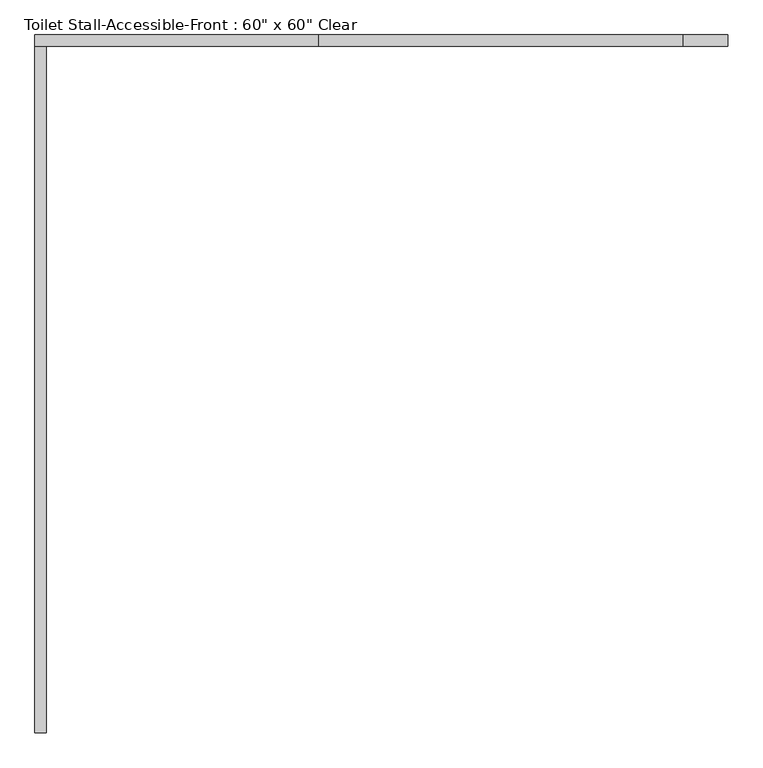
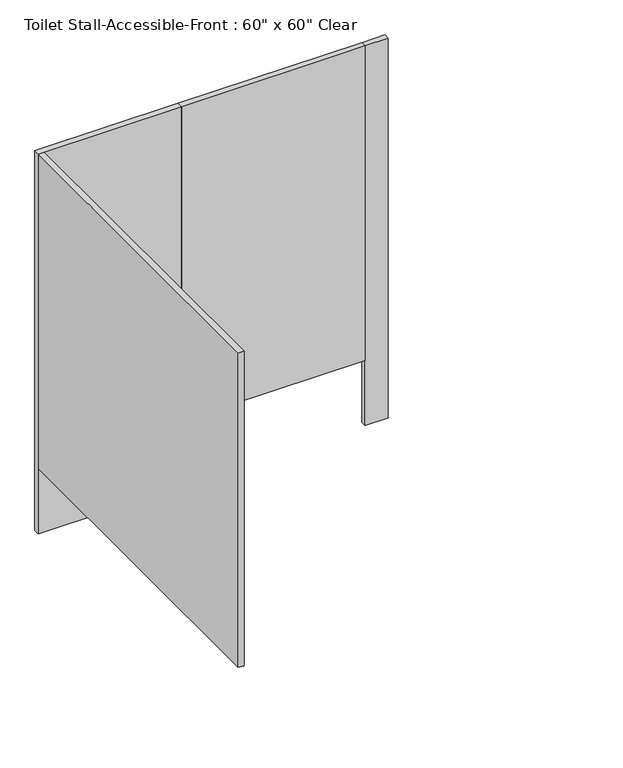
"""IFC4 building model written with IfcOpenShell, lengths in millimetres: proxy geometry."""

from ifc_helpers import new_model, si_unit, frame, origin, origin_with_axes, place, context, project, spatial, polyline, outline, extrude, source, transform, mapped, element, save


def proxy_ff845a05(model_context):
    return source(origin(), model_context, "Body", "SweptSolid", [
        extrude(outline(polyline([(1370.1031538, 1625.6), (1370.1031538, 1600.2), (557.3031538, 1600.2), (557.3031538, 1625.6), (1370.1031538, 1625.6)])), frame((0.0, 0.0, 304.8), z_axis=(0.0, 0.0, 1.0), x_axis=(1.0, 0.0, 0.0)), (0.0, 0.0, 1.0), 1473.2),
        extrude(outline(polyline([(557.3031538, 1625.6), (557.3031538, 1600.2), (-77.6968462, 1600.2), (-77.6968462, 1625.6), (557.3031538, 1625.6)])), origin_with_axes(), (0.0, 0.0, 1.0), 1778.0),
        extrude(outline(polyline([(1471.7031538, 1625.6), (1471.7031538, 1600.2), (1370.1031538, 1600.2), (1370.1031538, 1625.6), (1471.7031538, 1625.6)])), origin_with_axes(), (0.0, 0.0, 1.0), 1778.0),
        extrude(outline(polyline([(-77.6968462, 1600.2), (-52.2968462, 1600.2), (-52.2968462, 65.0875), (-77.6968462, 65.0875), (-77.6968462, 1600.2)])), frame((0.0, 0.0, 304.8), z_axis=(0.0, 0.0, 1.0), x_axis=(1.0, 0.0, 0.0)), (0.0, 0.0, 1.0), 1473.2),
    ])


if __name__ == "__main__":
    model = new_model("IFC4")
    model_context = context("Model", 3, world=origin())
    ifc_project = project(units=[si_unit("LENGTHUNIT", "METRE", prefix="MILLI")], contexts=[model_context])
    site = spatial("IfcSite", under=ifc_project)
    building = spatial("IfcBuilding", under=site)
    placement = place(None, origin())
    proxy_shape = proxy_ff845a05(model_context)
    element("IfcBuildingElementProxy", 1, Name="Toilet Stall-Accessible-Front : 60\" x 60\" Clear", ObjectType="Toilet Stall-Accessible-Front : 60\" x 60\" Clear", at=placement, inside=building, context=model_context, shape_type="MappedRepresentation", body=[
        mapped(proxy_shape, transform((0.0, 0.0, 0.0), x_axis=(1.0, 0.0, 0.0), y_axis=(0.0, 1.0, 0.0), z_axis=(0.0, 0.0, 1.0))),
    ])
    save(model, "model.ifc")
